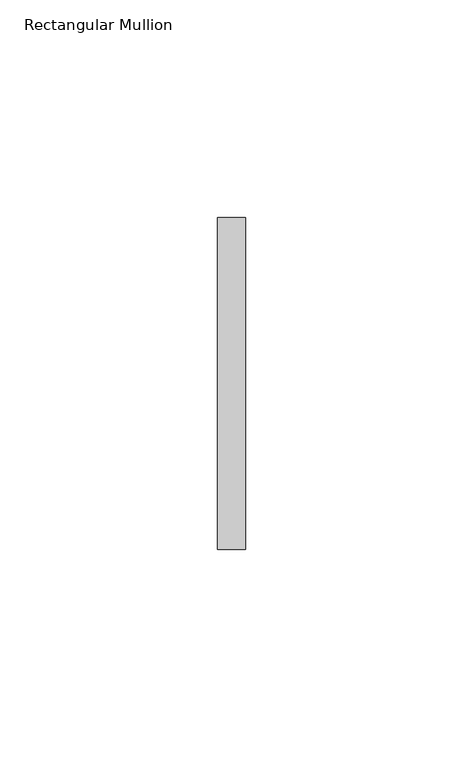
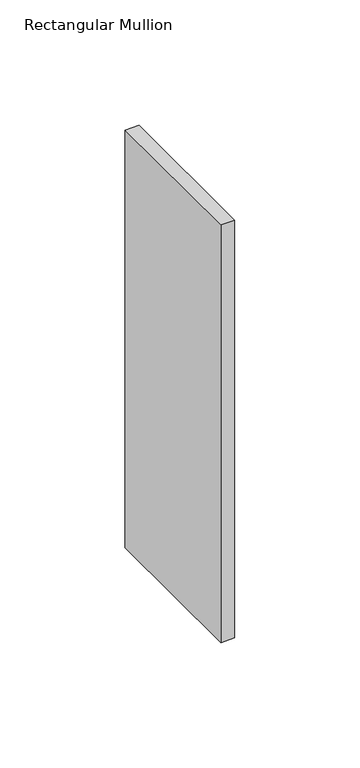
"""IFC4 building model written with IfcOpenShell, lengths in millimetres: member geometry, Rectangular Mullion."""

from ifc_helpers import new_model, si_unit, frame, origin, place, context, project, spatial, polyline, outline, extrude, source, transform, mapped, element, save


def rectangular_mullion_b0a853b3(model_context):
    return source(origin(), model_context, "Body", "SweptSolid", [
        extrude(outline(polyline([(0.0, 38.1), (0.0, -38.1), (-6.35, -38.1), (-6.35, 38.1), (0.0, 38.1)])), frame((0.0, 0.0, -203.2), z_axis=(0.0, 0.0, 1.0), x_axis=(1.0, 0.0, 0.0)), (0.0, 0.0, 1.0), 203.2),
    ])


if __name__ == "__main__":
    model = new_model("IFC4")
    model_context = context("Model", 3, world=origin())
    ifc_project = project(units=[si_unit("LENGTHUNIT", "METRE", prefix="MILLI")], contexts=[model_context])
    site = spatial("IfcSite", under=ifc_project)
    building = spatial("IfcBuilding", under=site)
    placement = place(None, origin())
    rectangular_mullion_shape = rectangular_mullion_b0a853b3(model_context)
    element("IfcMember", 1, ObjectType="Rectangular Mullion", at=placement, inside=building, context=model_context, shape_type="MappedRepresentation", body=[
        mapped(rectangular_mullion_shape, transform((0.0, 0.0, 0.0), x_axis=(1.0, 0.0, 0.0), y_axis=(0.0, 1.0, 0.0), z_axis=(0.0, 0.0, 1.0))),
    ])
    save(model, "model.ifc")
